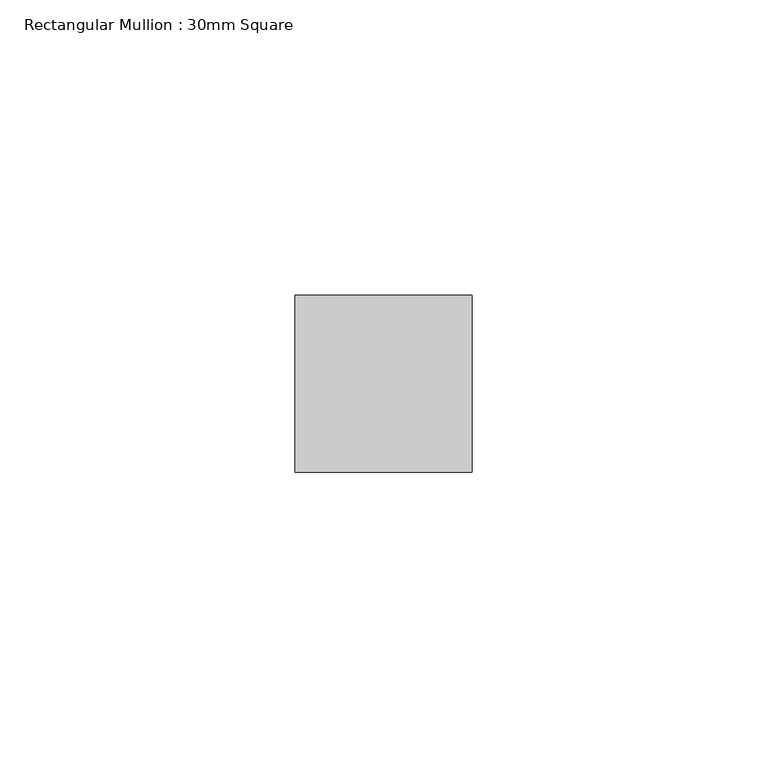
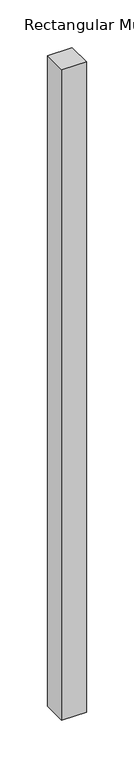
"""IFC4 building model written with IfcOpenShell, lengths in millimetres: member geometry, Rectangular Mullion : 30mm Square."""

import ifcopenshell
import ifcopenshell.guid

model = None  # the IFC model being written
_history = None  # IfcOwnerHistory: only IFC2X3 demands one
_inside = {}  # id of a spatial element -> (the spatial element, [elements in it])
_under = {}  # id of a project, library or spatial element -> (it, [spatial elements below it])
_declared = {}  # id of a project -> (the project, [libraries it declares])
_typed = {}  # id of a type object -> (the type object, [elements of that type])
_made_of = {}  # id of a material, layer set ... -> (it, [elements and type objects made of it])


def new_model(schema):
    """Start an empty IFC model of exactly this schema.

    Asked for "IFC4X3", IfcOpenShell would pick the latest addendum, in which some entities
    have other attributes; the version numbers below select the first issue.
    IFC2X3 requires an IfcOwnerHistory on every rooted entity: one is made here for all.
    """
    global model, _history
    if schema == "IFC4X3":
        model = ifcopenshell.file(schema_version=(4, 3, 0, 0))
    else:
        model = ifcopenshell.file(schema=schema)
    _inside.clear()
    _under.clear()
    _declared.clear()
    _typed.clear()
    _made_of.clear()
    _history = None
    if model.schema == "IFC2X3":
        org = make("IfcOrganization", Name="unknown")
        user = make(
            "IfcPersonAndOrganization",
            ThePerson=make("IfcPerson", FamilyName="unknown"),
            TheOrganization=org,
        )
        app = make(
            "IfcApplication",
            ApplicationDeveloper=org,
            Version="unknown",
            ApplicationFullName="unknown",
            ApplicationIdentifier="unknown",
        )
        _history = make(
            "IfcOwnerHistory",
            OwningUser=user,
            OwningApplication=app,
            ChangeAction="ADDED",
            CreationDate=0,
        )
    return model


def make(cls, **values):
    """One entity of the class cls with the attributes given. An attribute that is None is left unset."""
    return model.create_entity(
        cls, **{name: value for name, value in values.items() if value is not None}
    )


def rooted(cls, **values):
    """An entity with a GlobalId (a new one), such as an element, a storey or a relation."""
    return make(cls, GlobalId=ifcopenshell.guid.new(), OwnerHistory=_history, **values)


def si_unit(unit_type, name, prefix=None):
    """IfcSIUnit, for example si_unit("LENGTHUNIT", "METRE", prefix="MILLI")."""
    return make("IfcSIUnit", UnitType=unit_type, Prefix=prefix, Name=name)


def assignment(units):
    """IfcUnitAssignment: the units of a project."""
    return None if units is None else make("IfcUnitAssignment", Units=units)


def point(xyz):
    """IfcCartesianPoint."""
    return None if xyz is None else make("IfcCartesianPoint", Coordinates=xyz)


def direction(xyz):
    """IfcDirection."""
    return None if xyz is None else make("IfcDirection", DirectionRatios=xyz)


def frame(location, z_axis=None, x_axis=None):
    """IfcAxis2Placement3D, a coordinate frame: its origin and axes. An axis left out is left unset."""
    return make(
        "IfcAxis2Placement3D",
        Location=point(location),
        Axis=direction(z_axis),
        RefDirection=direction(x_axis),
    )


def origin():
    """The frame at (0, 0, 0) with its axes left unset."""
    return frame((0.0, 0.0, 0.0))


def place(relative_to, where):
    """IfcLocalPlacement: puts the frame where relative to a parent placement (None: the world)."""
    return make(
        "IfcLocalPlacement", PlacementRelTo=relative_to, RelativePlacement=where
    )


def context(
    kind, dimensions, precision=None, world=None, true_north=None, identifier=None
):
    """IfcGeometricRepresentationContext, for example the 3D "Model" context."""
    return make(
        "IfcGeometricRepresentationContext",
        ContextIdentifier=identifier,
        ContextType=kind,
        CoordinateSpaceDimension=dimensions,
        Precision=precision,
        WorldCoordinateSystem=world,
        TrueNorth=true_north,
    )


def project(units=None, contexts=None):
    """IfcProject with its units and contexts."""
    return rooted(
        "IfcProject",
        Name="project",
        RepresentationContexts=contexts,
        UnitsInContext=assignment(units),
    )


def spatial(cls, under=None, at=None, **own):
    """A site, building, storey or space (cls), placed at a placement, below another one or the project."""
    s = rooted(cls, ObjectPlacement=at, **own)
    if under is not None:
        _under.setdefault(under.id(), (under, []))[1].append(s)
    return s


def polyline(points):
    """IfcPolyline through the points."""
    return make("IfcPolyline", Points=[point(p) for p in points])


def outline(outer, holes=None, kind="AREA"):
    """IfcArbitraryClosedProfileDef: a profile drawn as a closed curve; with holes, ...WithVoids."""
    if holes is None:
        return make("IfcArbitraryClosedProfileDef", ProfileType=kind, OuterCurve=outer)
    return make(
        "IfcArbitraryProfileDefWithVoids",
        ProfileType=kind,
        OuterCurve=outer,
        InnerCurves=holes,
    )


def extrude(swept, where, along, depth):
    """IfcExtrudedAreaSolid: the profile swept, set in the frame where, extruded along a direction by depth."""
    return make(
        "IfcExtrudedAreaSolid",
        SweptArea=swept,
        Position=where,
        ExtrudedDirection=direction(along),
        Depth=depth,
    )


def shape(context_of_items, identifier, shape_type, items):
    """IfcShapeRepresentation: the items that make up one representation, for example the "Body"."""
    return make(
        "IfcShapeRepresentation",
        ContextOfItems=context_of_items,
        RepresentationIdentifier=identifier,
        RepresentationType=shape_type,
        Items=items,
    )


def source(mapping_origin, context_of_items, identifier, shape_type, items):
    """IfcRepresentationMap: a shape defined once, which mapped items show again and again."""
    return make(
        "IfcRepresentationMap",
        MappingOrigin=mapping_origin,
        MappedRepresentation=shape(context_of_items, identifier, shape_type, items),
    )


def transform(
    local_origin,
    x_axis=None,
    y_axis=None,
    z_axis=None,
    scale=None,
    scale2=None,
    scale3=None,
    uniform=True,
):
    """IfcCartesianTransformationOperator3D, or its non-uniform kind. x_axis, y_axis, z_axis: its Axis1, 2, 3."""
    if uniform:
        return make(
            "IfcCartesianTransformationOperator3D",
            Axis1=direction(x_axis),
            Axis2=direction(y_axis),
            LocalOrigin=point(local_origin),
            Scale=scale,
            Axis3=direction(z_axis),
        )
    return make(
        "IfcCartesianTransformationOperator3DnonUniform",
        Axis1=direction(x_axis),
        Axis2=direction(y_axis),
        LocalOrigin=point(local_origin),
        Scale=scale,
        Axis3=direction(z_axis),
        Scale2=scale2,
        Scale3=scale3,
    )


def mapped(mapping_source, mapping_target):
    """IfcMappedItem: shows the shape of a source again, moved by a transform."""
    return make(
        "IfcMappedItem", MappingSource=mapping_source, MappingTarget=mapping_target
    )


def made_of(thing, what):
    """Note that an element or type object is made of a material, layer set ...; save() writes the relation."""
    if what is not None:
        _made_of.setdefault(what.id(), (what, []))[1].append(thing)
    return thing


def element(
    cls,
    number,
    at=None,
    inside=None,
    cuts=None,
    type_object=None,
    material=None,
    context=None,
    identifier="Body",
    shape_type=None,
    held_by="IfcProductDefinitionShape",
    body=None,
    shapes=None,
    **own,
):
    """One element of the class cls, such as IfcWall. Its Tag is "e" and its number.

    at: its placement. inside: the storey or other place that contains it. cuts: it is an
    opening in that element (IfcRelVoidsElement). A single representation is given by context,
    identifier, shape_type and body (its items); several are given by shapes. held_by: the class
    of the entity that holds the representations. save() writes the other relations.
    """
    e = rooted(cls, Tag="e%d" % number, ObjectPlacement=at, **own)
    if body is not None:
        shapes = [shape(context, identifier, shape_type, body)]
    if shapes is not None:
        e.Representation = make(held_by, Representations=shapes)
    if inside is not None:
        _inside.setdefault(inside.id(), (inside, []))[1].append(e)
    if cuts is not None:
        rooted(
            "IfcRelVoidsElement", RelatingBuildingElement=cuts, RelatedOpeningElement=e
        )
    if type_object is not None:
        _typed.setdefault(type_object.id(), (type_object, []))[1].append(e)
    return made_of(e, material)


def aggregate(whole, parts):
    """IfcRelAggregates: a whole, such as a stair, and the parts it consists of."""
    return rooted("IfcRelAggregates", RelatingObject=whole, RelatedObjects=parts)


def save(model, path):
    """Write the relations noted so far, then the file.

    IfcRelAggregates (storeys below a building ...), IfcRelContainedInSpatialStructure (elements
    in a storey), IfcRelDefinesByType, IfcRelAssociatesMaterial and IfcRelDeclares: one each for
    every whole, place, type object, material and project.
    """
    for whole, parts in _under.values():
        aggregate(whole, parts)
    for where, things in _inside.values():
        rooted(
            "IfcRelContainedInSpatialStructure",
            RelatedElements=things,
            RelatingStructure=where,
        )
    for kind, things in _typed.values():
        rooted("IfcRelDefinesByType", RelatedObjects=things, RelatingType=kind)
    for what, things in _made_of.values():
        rooted("IfcRelAssociatesMaterial", RelatedObjects=things, RelatingMaterial=what)
    for by, libraries in _declared.values():
        rooted("IfcRelDeclares", RelatingContext=by, RelatedDefinitions=libraries)
    model.write(path)


def rectangular_mullion_30mm_square_15143b19(model_context):
    return source(origin(), model_context, "Body", "SweptSolid", [
        extrude(outline(polyline([(0.0, 15.0), (0.0, -15.0), (-30.0, -15.0), (-30.0, 15.0), (0.0, 15.0)])), frame((0.0, 0.0, -835.0), z_axis=(0.0, 0.0, 1.0), x_axis=(1.0, 0.0, 0.0)), (0.0, 0.0, 1.0), 835.0),
    ])


if __name__ == "__main__":
    model = new_model("IFC4")
    model_context = context("Model", 3, world=origin())
    ifc_project = project(units=[si_unit("LENGTHUNIT", "METRE", prefix="MILLI")], contexts=[model_context])
    site = spatial("IfcSite", under=ifc_project)
    building = spatial("IfcBuilding", under=site)
    placement = place(None, origin())
    rectangular_mullion_30mm_square_shape = rectangular_mullion_30mm_square_15143b19(model_context)
    element("IfcMember", 1, ObjectType="Rectangular Mullion : 30mm Square", at=placement, inside=building, context=model_context, shape_type="MappedRepresentation", body=[
        mapped(rectangular_mullion_30mm_square_shape, transform((0.0, 0.0, 0.0), x_axis=(1.0, 0.0, 0.0), y_axis=(0.0, 1.0, 0.0), z_axis=(0.0, 0.0, 1.0))),
    ])
    save(model, "model.ifc")
